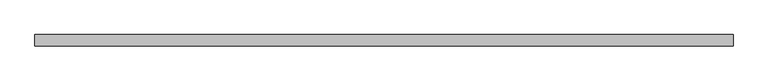
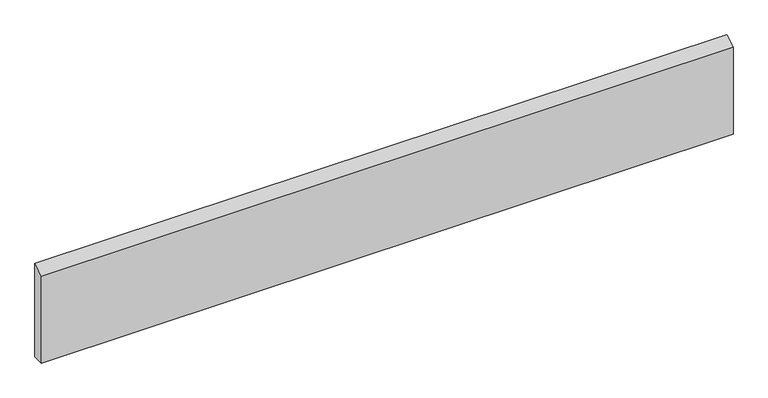
"""IFC4 building model written with IfcOpenShell, lengths in millimetres: beam geometry."""

from ifc_helpers import new_model, si_unit, frame, origin, place, context, project, spatial, polyline, outline, extrude, source, transform, mapped, element, save


def beam_a38f76c6(model_context):
    return source(origin(), model_context, "Body", "SweptSolid", [
        extrude(outline(polyline([(9.525, 95.2003906), (9.525, -72.9753906), (-9.525, -72.9753906), (-9.525, 84.0878906), (9.525, 95.2003906)])), frame((-590.55, 0.0, 0.0), z_axis=(1.0, 0.0, 0.0), x_axis=(0.0, 1.0, 0.0)), (0.0, 0.0, 1.0), 1181.1),
    ])


if __name__ == "__main__":
    model = new_model("IFC4")
    model_context = context("Model", 3, world=origin())
    ifc_project = project(units=[si_unit("LENGTHUNIT", "METRE", prefix="MILLI")], contexts=[model_context])
    site = spatial("IfcSite", under=ifc_project)
    building = spatial("IfcBuilding", under=site)
    placement = place(None, origin())
    beam_shape = beam_a38f76c6(model_context)
    element("IfcBeam", 1, at=placement, inside=building, context=model_context, shape_type="MappedRepresentation", body=[
        mapped(beam_shape, transform((0.0, 0.0, 0.0), x_axis=(1.0, 0.0, 0.0), y_axis=(0.0, 1.0, 0.0), z_axis=(0.0, 0.0, 1.0))),
    ])
    save(model, "model.ifc")
